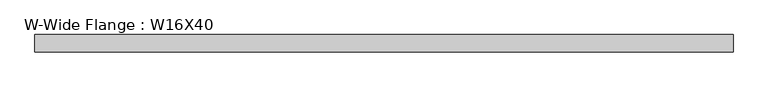
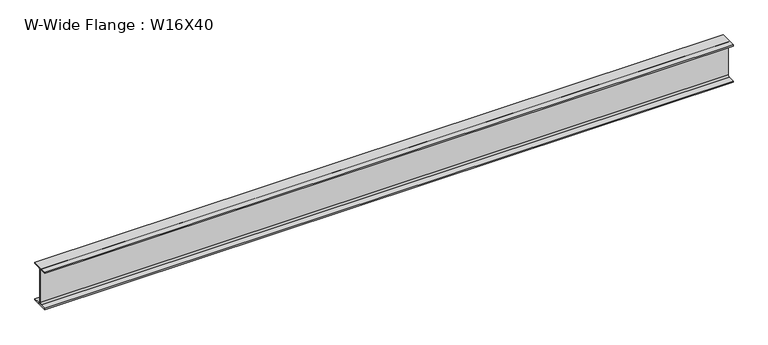
"""IFC4 building model written with IfcOpenShell, lengths in millimetres: beam geometry, W-Wide Flange : W16X40."""

import ifcopenshell
import ifcopenshell.guid

model = None  # the IFC model being written
_history = None  # IfcOwnerHistory: only IFC2X3 demands one
_inside = {}  # id of a spatial element -> (the spatial element, [elements in it])
_under = {}  # id of a project, library or spatial element -> (it, [spatial elements below it])
_declared = {}  # id of a project -> (the project, [libraries it declares])
_typed = {}  # id of a type object -> (the type object, [elements of that type])
_made_of = {}  # id of a material, layer set ... -> (it, [elements and type objects made of it])


def new_model(schema):
    """Start an empty IFC model of exactly this schema.

    Asked for "IFC4X3", IfcOpenShell would pick the latest addendum, in which some entities
    have other attributes; the version numbers below select the first issue.
    IFC2X3 requires an IfcOwnerHistory on every rooted entity: one is made here for all.
    """
    global model, _history
    if schema == "IFC4X3":
        model = ifcopenshell.file(schema_version=(4, 3, 0, 0))
    else:
        model = ifcopenshell.file(schema=schema)
    _inside.clear()
    _under.clear()
    _declared.clear()
    _typed.clear()
    _made_of.clear()
    _history = None
    if model.schema == "IFC2X3":
        org = make("IfcOrganization", Name="unknown")
        user = make(
            "IfcPersonAndOrganization",
            ThePerson=make("IfcPerson", FamilyName="unknown"),
            TheOrganization=org,
        )
        app = make(
            "IfcApplication",
            ApplicationDeveloper=org,
            Version="unknown",
            ApplicationFullName="unknown",
            ApplicationIdentifier="unknown",
        )
        _history = make(
            "IfcOwnerHistory",
            OwningUser=user,
            OwningApplication=app,
            ChangeAction="ADDED",
            CreationDate=0,
        )
    return model


def make(cls, **values):
    """One entity of the class cls with the attributes given. An attribute that is None is left unset."""
    return model.create_entity(
        cls, **{name: value for name, value in values.items() if value is not None}
    )


def rooted(cls, **values):
    """An entity with a GlobalId (a new one), such as an element, a storey or a relation."""
    return make(cls, GlobalId=ifcopenshell.guid.new(), OwnerHistory=_history, **values)


def si_unit(unit_type, name, prefix=None):
    """IfcSIUnit, for example si_unit("LENGTHUNIT", "METRE", prefix="MILLI")."""
    return make("IfcSIUnit", UnitType=unit_type, Prefix=prefix, Name=name)


def assignment(units):
    """IfcUnitAssignment: the units of a project."""
    return None if units is None else make("IfcUnitAssignment", Units=units)


def point(xyz):
    """IfcCartesianPoint."""
    return None if xyz is None else make("IfcCartesianPoint", Coordinates=xyz)


def direction(xyz):
    """IfcDirection."""
    return None if xyz is None else make("IfcDirection", DirectionRatios=xyz)


def frame(location, z_axis=None, x_axis=None):
    """IfcAxis2Placement3D, a coordinate frame: its origin and axes. An axis left out is left unset."""
    return make(
        "IfcAxis2Placement3D",
        Location=point(location),
        Axis=direction(z_axis),
        RefDirection=direction(x_axis),
    )


def frame_2d(location, x_axis=None):
    """IfcAxis2Placement2D, a coordinate frame in the plane: its origin and x axis."""
    return make(
        "IfcAxis2Placement2D", Location=point(location), RefDirection=direction(x_axis)
    )


def origin():
    """The frame at (0, 0, 0) with its axes left unset."""
    return frame((0.0, 0.0, 0.0))


def place(relative_to, where):
    """IfcLocalPlacement: puts the frame where relative to a parent placement (None: the world)."""
    return make(
        "IfcLocalPlacement", PlacementRelTo=relative_to, RelativePlacement=where
    )


def context(
    kind, dimensions, precision=None, world=None, true_north=None, identifier=None
):
    """IfcGeometricRepresentationContext, for example the 3D "Model" context."""
    return make(
        "IfcGeometricRepresentationContext",
        ContextIdentifier=identifier,
        ContextType=kind,
        CoordinateSpaceDimension=dimensions,
        Precision=precision,
        WorldCoordinateSystem=world,
        TrueNorth=true_north,
    )


def project(units=None, contexts=None):
    """IfcProject with its units and contexts."""
    return rooted(
        "IfcProject",
        Name="project",
        RepresentationContexts=contexts,
        UnitsInContext=assignment(units),
    )


def spatial(cls, under=None, at=None, **own):
    """A site, building, storey or space (cls), placed at a placement, below another one or the project."""
    s = rooted(cls, ObjectPlacement=at, **own)
    if under is not None:
        _under.setdefault(under.id(), (under, []))[1].append(s)
    return s


def polyline(points):
    """IfcPolyline through the points."""
    return make("IfcPolyline", Points=[point(p) for p in points])


def circle_curve(where, radius):
    """IfcCircle in the frame where."""
    return make("IfcCircle", Position=where, Radius=radius)


def trimmed(basis, trim1, trim2, sense, master):
    """IfcTrimmedCurve: the piece of a basis curve between two trims."""
    return make(
        "IfcTrimmedCurve",
        BasisCurve=basis,
        Trim1=trim1,
        Trim2=trim2,
        SenseAgreement=sense,
        MasterRepresentation=master,
    )


def segment(curve, same_sense, transition):
    """IfcCompositeCurveSegment."""
    return make(
        "IfcCompositeCurveSegment",
        Transition=transition,
        SameSense=same_sense,
        ParentCurve=curve,
    )


def composite_curve(segments, self_intersect=None):
    """IfcCompositeCurve: segments joined end to end."""
    return make("IfcCompositeCurve", Segments=segments, SelfIntersect=self_intersect)


def outline(outer, holes=None, kind="AREA"):
    """IfcArbitraryClosedProfileDef: a profile drawn as a closed curve; with holes, ...WithVoids."""
    if holes is None:
        return make("IfcArbitraryClosedProfileDef", ProfileType=kind, OuterCurve=outer)
    return make(
        "IfcArbitraryProfileDefWithVoids",
        ProfileType=kind,
        OuterCurve=outer,
        InnerCurves=holes,
    )


def extrude(swept, where, along, depth):
    """IfcExtrudedAreaSolid: the profile swept, set in the frame where, extruded along a direction by depth."""
    return make(
        "IfcExtrudedAreaSolid",
        SweptArea=swept,
        Position=where,
        ExtrudedDirection=direction(along),
        Depth=depth,
    )


def shape(context_of_items, identifier, shape_type, items):
    """IfcShapeRepresentation: the items that make up one representation, for example the "Body"."""
    return make(
        "IfcShapeRepresentation",
        ContextOfItems=context_of_items,
        RepresentationIdentifier=identifier,
        RepresentationType=shape_type,
        Items=items,
    )


def source(mapping_origin, context_of_items, identifier, shape_type, items):
    """IfcRepresentationMap: a shape defined once, which mapped items show again and again."""
    return make(
        "IfcRepresentationMap",
        MappingOrigin=mapping_origin,
        MappedRepresentation=shape(context_of_items, identifier, shape_type, items),
    )


def transform(
    local_origin,
    x_axis=None,
    y_axis=None,
    z_axis=None,
    scale=None,
    scale2=None,
    scale3=None,
    uniform=True,
):
    """IfcCartesianTransformationOperator3D, or its non-uniform kind. x_axis, y_axis, z_axis: its Axis1, 2, 3."""
    if uniform:
        return make(
            "IfcCartesianTransformationOperator3D",
            Axis1=direction(x_axis),
            Axis2=direction(y_axis),
            LocalOrigin=point(local_origin),
            Scale=scale,
            Axis3=direction(z_axis),
        )
    return make(
        "IfcCartesianTransformationOperator3DnonUniform",
        Axis1=direction(x_axis),
        Axis2=direction(y_axis),
        LocalOrigin=point(local_origin),
        Scale=scale,
        Axis3=direction(z_axis),
        Scale2=scale2,
        Scale3=scale3,
    )


def mapped(mapping_source, mapping_target):
    """IfcMappedItem: shows the shape of a source again, moved by a transform."""
    return make(
        "IfcMappedItem", MappingSource=mapping_source, MappingTarget=mapping_target
    )


def made_of(thing, what):
    """Note that an element or type object is made of a material, layer set ...; save() writes the relation."""
    if what is not None:
        _made_of.setdefault(what.id(), (what, []))[1].append(thing)
    return thing


def element(
    cls,
    number,
    at=None,
    inside=None,
    cuts=None,
    type_object=None,
    material=None,
    context=None,
    identifier="Body",
    shape_type=None,
    held_by="IfcProductDefinitionShape",
    body=None,
    shapes=None,
    **own,
):
    """One element of the class cls, such as IfcWall. Its Tag is "e" and its number.

    at: its placement. inside: the storey or other place that contains it. cuts: it is an
    opening in that element (IfcRelVoidsElement). A single representation is given by context,
    identifier, shape_type and body (its items); several are given by shapes. held_by: the class
    of the entity that holds the representations. save() writes the other relations.
    """
    e = rooted(cls, Tag="e%d" % number, ObjectPlacement=at, **own)
    if body is not None:
        shapes = [shape(context, identifier, shape_type, body)]
    if shapes is not None:
        e.Representation = make(held_by, Representations=shapes)
    if inside is not None:
        _inside.setdefault(inside.id(), (inside, []))[1].append(e)
    if cuts is not None:
        rooted(
            "IfcRelVoidsElement", RelatingBuildingElement=cuts, RelatedOpeningElement=e
        )
    if type_object is not None:
        _typed.setdefault(type_object.id(), (type_object, []))[1].append(e)
    return made_of(e, material)


def aggregate(whole, parts):
    """IfcRelAggregates: a whole, such as a stair, and the parts it consists of."""
    return rooted("IfcRelAggregates", RelatingObject=whole, RelatedObjects=parts)


def save(model, path):
    """Write the relations noted so far, then the file.

    IfcRelAggregates (storeys below a building ...), IfcRelContainedInSpatialStructure (elements
    in a storey), IfcRelDefinesByType, IfcRelAssociatesMaterial and IfcRelDeclares: one each for
    every whole, place, type object, material and project.
    """
    for whole, parts in _under.values():
        aggregate(whole, parts)
    for where, things in _inside.values():
        rooted(
            "IfcRelContainedInSpatialStructure",
            RelatedElements=things,
            RelatingStructure=where,
        )
    for kind, things in _typed.values():
        rooted("IfcRelDefinesByType", RelatedObjects=things, RelatingType=kind)
    for what, things in _made_of.values():
        rooted("IfcRelAssociatesMaterial", RelatedObjects=things, RelatingMaterial=what)
    for by, libraries in _declared.values():
        rooted("IfcRelDeclares", RelatingContext=by, RelatedDefinitions=libraries)
    model.write(path)


def w_wide_flange_w16x40_5a417033(model_context):
    return source(origin(), model_context, "Body", "SweptSolid", [
        extrude(outline(composite_curve([segment(polyline([(88.9, -190.4), (88.9, -203.2), (-88.9, -203.2), (-88.9, -190.4), (-21.25, -190.4)]), True, "CONTINUOUS"), segment(trimmed(circle_curve(frame_2d((-21.25, -173.0)), 17.4), [point((-21.25, -190.4))], [point((-3.85, -173.0))], True, "CARTESIAN"), True, "CONTINUOUS"), segment(polyline([(-3.85, -173.0), (-3.85, 173.0)]), True, "CONTINUOUS"), segment(trimmed(circle_curve(frame_2d((-21.25, 173.0)), 17.4), [point((-3.85, 173.0))], [point((-21.25, 190.4))], True, "CARTESIAN"), True, "CONTINUOUS"), segment(polyline([(-21.25, 190.4), (-88.9, 190.4), (-88.9, 203.2), (88.9, 203.2), (88.9, 190.4), (21.25, 190.4)]), True, "CONTINUOUS"), segment(trimmed(circle_curve(frame_2d((21.25, 173.0)), 17.4), [point((21.25, 190.4))], [point((3.85, 173.0))], True, "CARTESIAN"), True, "CONTINUOUS"), segment(polyline([(3.85, 173.0), (3.85, -173.0)]), True, "CONTINUOUS"), segment(trimmed(circle_curve(frame_2d((21.25, -173.0)), 17.4), [point((3.85, -173.0))], [point((21.25, -190.4))], True, "CARTESIAN"), True, "CONTINUOUS"), segment(polyline([(21.25, -190.4), (88.9, -190.4)]), True, "CONTINUOUS")], self_intersect=False)), frame((-3535.1401766, 0.0, 0.0), z_axis=(1.0, 0.0, 0.0), x_axis=(0.0, 1.0, 0.0)), (0.0, 0.0, 1.0), 7065.7486122),
    ])


if __name__ == "__main__":
    model = new_model("IFC4")
    model_context = context("Model", 3, world=origin())
    ifc_project = project(units=[si_unit("LENGTHUNIT", "METRE", prefix="MILLI")], contexts=[model_context])
    site = spatial("IfcSite", under=ifc_project)
    building = spatial("IfcBuilding", under=site)
    placement = place(None, origin())
    w_wide_flange_w16x40_shape = w_wide_flange_w16x40_5a417033(model_context)
    element("IfcBeam", 1, ObjectType="W-Wide Flange : W16X40", at=placement, inside=building, context=model_context, shape_type="MappedRepresentation", body=[
        mapped(w_wide_flange_w16x40_shape, transform((0.0, 0.0, 0.0), x_axis=(1.0, 0.0, 0.0), y_axis=(0.0, 1.0, 0.0), z_axis=(0.0, 0.0, 1.0))),
    ])
    save(model, "model.ifc")
